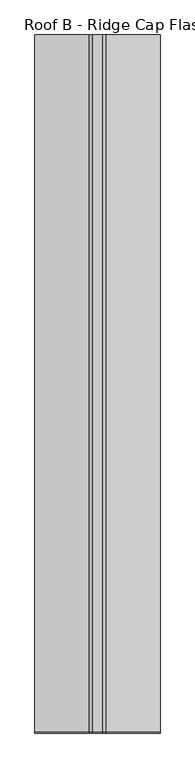
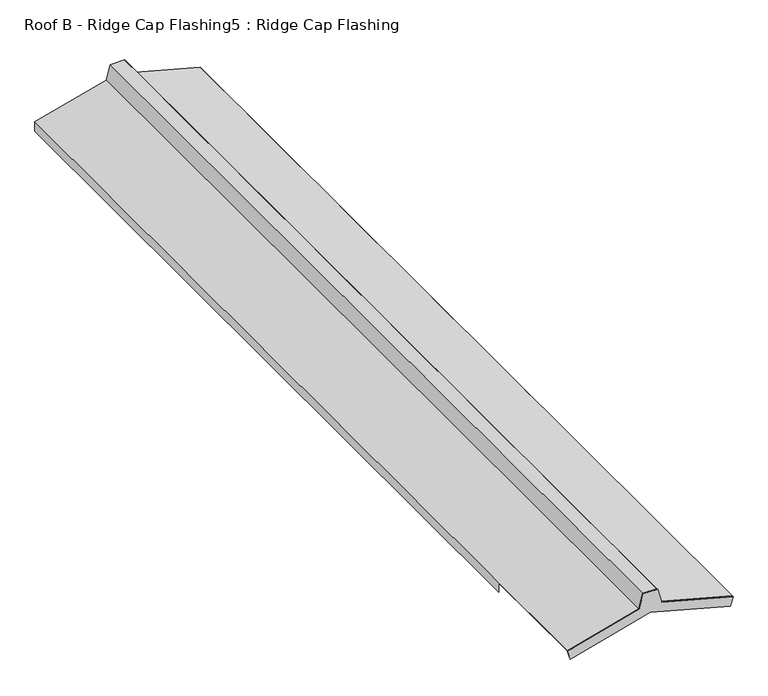
"""IFC4 building model written with IfcOpenShell, lengths in millimetres: proxy geometry, Roof B - Ridge Cap Flashing5 : Ridge Cap Flashing."""

from ifc_helpers import new_model, si_unit, frame, origin, place, context, project, spatial, polyline, outline, extrude, faceted_brep, source, transform, mapped, element, save


def roof_b_ridge_cap_flashing5_ridge_cap_flashing_875efd3a(model_context):
    return source(origin(), model_context, "Body", "SolidModel", [
        extrude(outline(polyline([(4884.8612105, 22493.7132302), (4943.6791939, 22477.952999), (4943.6791939, 22422.204967), (4884.8612105, 22406.4447359), (4809.5785642, 22125.4860749), (4808.543288, 22125.4860749), (4773.4808811, 22135.9528153), (4857.6507341, 22450.078983), (4773.4808811, 22764.2051507), (4808.543288, 22774.6718911), (4809.5785642, 22774.6718911), (4884.8612105, 22493.7132302)])), frame((0.0, -24660.5994162, 0.0), z_axis=(0.0, 1.0, 0.0), x_axis=(0.0, 0.0, 1.0)), (0.0, 0.0, 1.0), 4.6653114),
        faceted_brep([(22422.204967, -21037.9172998, 4943.6791939), (22477.952999, -21037.9172998, 4943.6791939), (22493.7132302, -21037.9172998, 4884.8612105), (22774.6718911, -21037.9172998, 4809.5785642), (22774.6718911, -21037.9172998, 4770.6763265), (22773.6718911, -21037.9172998, 4770.6763265), (22773.6718911, -21037.9172998, 4808.8112372), (22492.8967336, -21037.9172998, 4884.0447139), (22477.185672, -21037.9172998, 4942.6791939), (22422.972294, -21037.9172998, 4942.6791939), (22407.2612325, -21037.9172998, 4884.0447139), (22126.4860749, -21037.9172998, 4808.8112372), (22126.4860749, -21037.9172998, 4770.6763265), (22125.4860749, -21037.9172998, 4770.6763265), (22125.4860749, -21037.9172998, 4809.5785642), (22406.4447359, -21037.9172998, 4884.8612105), (22406.4447359, -24655.9341048, 4884.8612105), (22125.4860749, -24655.9341048, 4809.5785642), (22125.4860749, -24655.9341048, 4808.543288), (22407.2612325, -24655.9341048, 4884.0447139), (22422.972294, -24655.9341048, 4942.6791939), (22477.185672, -24655.9341048, 4942.6791939), (22492.8967336, -24655.9341048, 4884.0447139), (22774.6718911, -24655.9341048, 4808.543288), (22774.6718911, -24655.9341048, 4809.5785642), (22493.7132302, -24655.9341048, 4884.8612105), (22477.952999, -24655.9341048, 4943.6791939), (22422.204967, -24655.9341048, 4943.6791939), (22125.4860749, -24191.5657768, 4808.543288), (22126.4860749, -24191.5657768, 4808.8112372), (22126.4860749, -24191.5657768, 4770.6763265), (22125.4860749, -24191.5657768, 4770.6763265), (22774.6718911, -24191.5657768, 4808.543288), (22774.6718911, -24191.5657768, 4770.6763265), (22773.6718911, -24191.5657768, 4770.6763265), (22773.6718911, -24191.5657768, 4808.8112372)], [[[0, 1, 2, 3, 4, 5, 6, 7, 8, 9, 10, 11, 12, 13, 14, 15]], [[16, 17, 18, 19, 20, 21, 22, 23, 24, 25, 26, 27]], [[1, 0, 27, 26]], [[2, 1, 26, 25]], [[8, 7, 22, 21]], [[9, 8, 21, 20]], [[11, 10, 19, 18, 28, 29]], [[15, 14, 17, 16]], [[10, 9, 20, 19]], [[12, 11, 29, 30]], [[13, 12, 30, 31]], [[14, 13, 31, 28, 18, 17]], [[0, 15, 16, 27]], [[3, 2, 25, 24]], [[4, 3, 24, 23, 32, 33]], [[5, 4, 33, 34]], [[6, 5, 34, 35]], [[7, 6, 35, 32, 23, 22]], [[32, 35, 34, 33]], [[29, 28, 31, 30]]]),
    ])


if __name__ == "__main__":
    model = new_model("IFC4")
    model_context = context("Model", 3, world=origin())
    ifc_project = project(units=[si_unit("LENGTHUNIT", "METRE", prefix="MILLI")], contexts=[model_context])
    site = spatial("IfcSite", under=ifc_project)
    building = spatial("IfcBuilding", under=site)
    placement = place(None, origin())
    roof_b_ridge_cap_flashing5_ridge_cap_flashing_shape = roof_b_ridge_cap_flashing5_ridge_cap_flashing_875efd3a(model_context)
    element("IfcBuildingElementProxy", 1, Name="Roof B - Ridge Cap Flashing5 : Ridge Cap Flashing", ObjectType="Roof B - Ridge Cap Flashing5 : Ridge Cap Flashing", at=placement, inside=building, context=model_context, shape_type="MappedRepresentation", body=[
        mapped(roof_b_ridge_cap_flashing5_ridge_cap_flashing_shape, transform((0.0, 0.0, 0.0), x_axis=(1.0, 0.0, 0.0), y_axis=(0.0, 1.0, 0.0), z_axis=(0.0, 0.0, 1.0))),
    ])
    save(model, "model.ifc")
